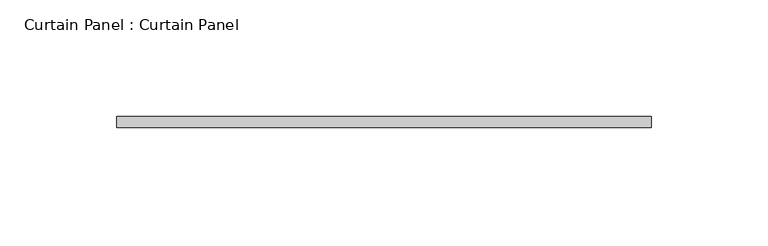
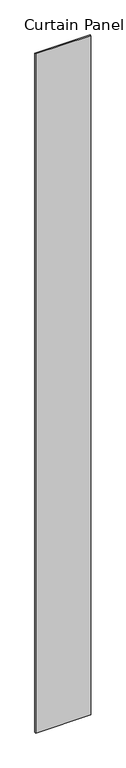
"""IFC4 building model written with IfcOpenShell, lengths in millimetres: plate geometry, Curtain Panel : Curtain Panel."""

from ifc_helpers import new_model, si_unit, origin, origin_with_axes, place, context, project, spatial, polyline, outline, extrude, source, transform, mapped, element, save


def curtain_panel_curtain_panel_84a810ff(model_context):
    return source(origin(), model_context, "Body", "SweptSolid", [
        extrude(outline(polyline([(7144.6344141, 92795.1521023), (6916.0344141, 92795.1521023), (6916.0344141, 92799.9146023), (7144.6344141, 92799.9146023), (7144.6344141, 92795.1521023)])), origin_with_axes(), (0.0, 0.0, 1.0), 2971.8),
    ])


if __name__ == "__main__":
    model = new_model("IFC4")
    model_context = context("Model", 3, world=origin())
    ifc_project = project(units=[si_unit("LENGTHUNIT", "METRE", prefix="MILLI")], contexts=[model_context])
    site = spatial("IfcSite", under=ifc_project)
    building = spatial("IfcBuilding", under=site)
    placement = place(None, origin())
    curtain_panel_curtain_panel_shape = curtain_panel_curtain_panel_84a810ff(model_context)
    element("IfcPlate", 1, ObjectType="Curtain Panel : Curtain Panel", at=placement, inside=building, context=model_context, shape_type="MappedRepresentation", body=[
        mapped(curtain_panel_curtain_panel_shape, transform((0.0, 0.0, 0.0), x_axis=(1.0, 0.0, 0.0), y_axis=(0.0, 1.0, 0.0), z_axis=(0.0, 0.0, 1.0))),
    ])
    save(model, "model.ifc")
